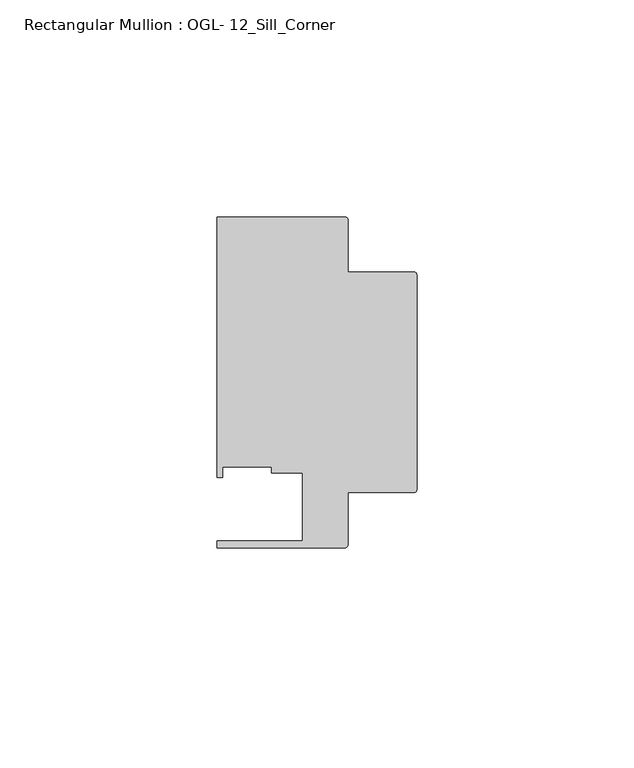
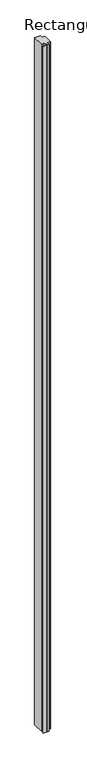
"""IFC4 building model written with IfcOpenShell, lengths in millimetres: member geometry, Rectangular Mullion : OGL- 12_Sill_Corner."""

from ifc_helpers import new_model, si_unit, point, frame, frame_2d, origin, place, context, project, spatial, polyline, circle_curve, trimmed, segment, composite_curve, outline, extrude, source, transform, mapped, element, save


def rectangular_mullion_ogl_12_sill_corner_9e793781(model_context):
    return source(origin(), model_context, "Body", "SweptSolid", [
        extrude(outline(composite_curve([segment(trimmed(circle_curve(frame_2d((-0.5953125, 54.9671875)), 0.5953125), [point((-0.5953125, 55.5625))], [point((0.0, 54.9671875))], False, "CARTESIAN"), True, "CONTINUOUS"), segment(polyline([(0.0, 54.9671875), (0.0, 5.3578125)]), True, "CONTINUOUS"), segment(trimmed(circle_curve(frame_2d((-0.5953125, 5.3578125)), 0.5953125), [point((0.0, 5.3578125))], [point((-0.5953125, 4.7625))], False, "CARTESIAN"), True, "CONTINUOUS"), segment(polyline([(-0.5953125, 4.7625), (-15.8750672, 4.7625), (-15.8750672, -7.3422035)]), True, "CONTINUOUS"), segment(trimmed(circle_curve(frame_2d((-16.4703797, -7.3422035)), 0.5953125), [point((-15.8750672, -7.3422035))], [point((-16.4703797, -7.937516))], False, "CARTESIAN"), True, "CONTINUOUS"), segment(polyline([(-16.4703797, -7.937516), (-46.0248655, -7.937516), (-46.0248655, -6.350016), (-26.3720794, -6.350016), (-26.3720794, 9.3367652), (-33.3985545, 9.3367652), (-33.3985545, 10.6800725), (-44.7780305, 10.6800725), (-44.7780305, 8.1914024), (-46.0339598, 8.1914024), (-46.0339598, 68.2621792), (-16.4703797, 68.2621792)]), True, "CONTINUOUS"), segment(trimmed(circle_curve(frame_2d((-16.4703797, 67.6668667)), 0.5953125), [point((-16.4703797, 68.2621792))], [point((-15.8750672, 67.6668667))], False, "CARTESIAN"), True, "CONTINUOUS"), segment(polyline([(-15.8750672, 67.6668667), (-15.8750672, 55.5625), (-0.5953125, 55.5625)]), True, "CONTINUOUS")], self_intersect=False)), frame((0.0, 0.0, -3763.9660402), z_axis=(0.0, 0.0, 1.0), x_axis=(1.0, 0.0, 0.0)), (0.0, 0.0, 1.0), 3763.9660402),
    ])


if __name__ == "__main__":
    model = new_model("IFC4")
    model_context = context("Model", 3, world=origin())
    ifc_project = project(units=[si_unit("LENGTHUNIT", "METRE", prefix="MILLI")], contexts=[model_context])
    site = spatial("IfcSite", under=ifc_project)
    building = spatial("IfcBuilding", under=site)
    placement = place(None, origin())
    rectangular_mullion_ogl_12_sill_corner_shape = rectangular_mullion_ogl_12_sill_corner_9e793781(model_context)
    element("IfcMember", 1, ObjectType="Rectangular Mullion : OGL- 12_Sill_Corner", at=placement, inside=building, context=model_context, shape_type="MappedRepresentation", body=[
        mapped(rectangular_mullion_ogl_12_sill_corner_shape, transform((0.0, 0.0, 0.0), x_axis=(1.0, 0.0, 0.0), y_axis=(0.0, 1.0, 0.0), z_axis=(0.0, 0.0, 1.0))),
    ])
    save(model, "model.ifc")
